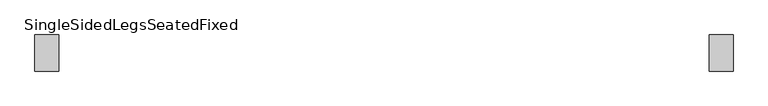
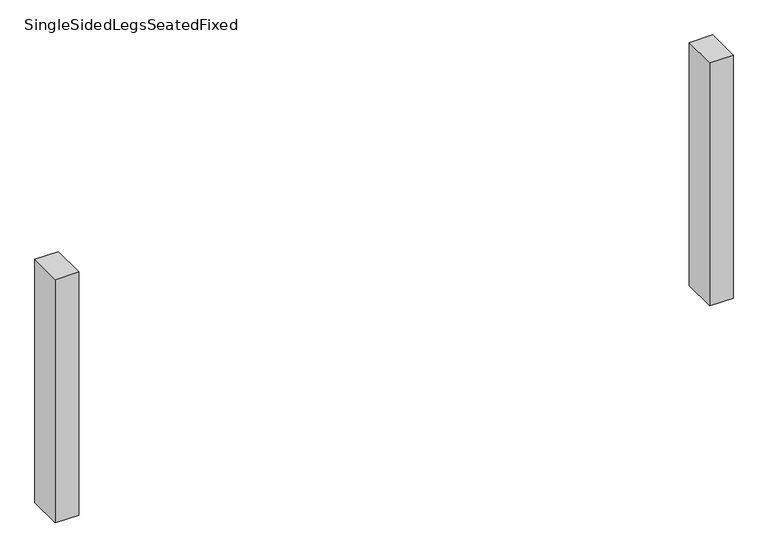
"""IFC4 building model written with IfcOpenShell, lengths in millimetres: furniture geometry, SingleSidedLegsSeatedFixed."""

from ifc_helpers import new_model, si_unit, frame, origin, place, context, project, spatial, polyline, outline, extrude, source, transform, mapped, element, save


def singlesidedlegsseatedfixed_dbf9f7e2(model_context):
    return source(origin(), model_context, "Body", "SweptSolid", [
        extrude(outline(polyline([(809.9999968, -44.9963087), (809.9999968, 45.0036847), (870.0, 45.0036847), (870.0, -44.9963087), (809.9999968, -44.9963087)])), frame((0.0, 0.0, 50.0), z_axis=(0.0, 0.0, 1.0), x_axis=(1.0, 0.0, 0.0)), (0.0, 0.0, 1.0), 660.0),
        extrude(outline(polyline([(-809.9999968, -44.9963087), (-870.0, -44.9963087), (-870.0, 45.0036847), (-809.9999968, 45.0036847), (-809.9999968, -44.9963087)])), frame((0.0, 0.0, 50.0), z_axis=(0.0, 0.0, 1.0), x_axis=(1.0, 0.0, 0.0)), (0.0, 0.0, 1.0), 660.0),
    ])


if __name__ == "__main__":
    model = new_model("IFC4")
    model_context = context("Model", 3, world=origin())
    ifc_project = project(units=[si_unit("LENGTHUNIT", "METRE", prefix="MILLI")], contexts=[model_context])
    site = spatial("IfcSite", under=ifc_project)
    building = spatial("IfcBuilding", under=site)
    placement = place(None, origin())
    singlesidedlegsseatedfixed_shape = singlesidedlegsseatedfixed_dbf9f7e2(model_context)
    element("IfcFurniture", 1, ObjectType="SingleSidedLegsSeatedFixed", at=placement, inside=building, context=model_context, shape_type="MappedRepresentation", body=[
        mapped(singlesidedlegsseatedfixed_shape, transform((0.0, 0.0, 0.0), x_axis=(1.0, 0.0, 0.0), y_axis=(0.0, 1.0, 0.0), z_axis=(0.0, 0.0, 1.0))),
    ])
    save(model, "model.ifc")
